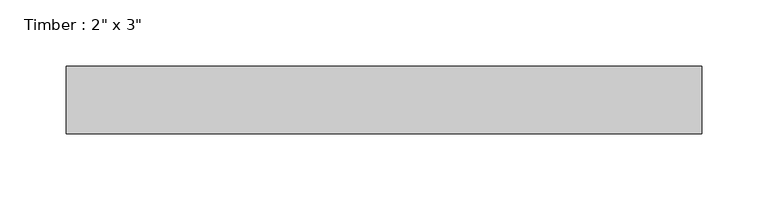
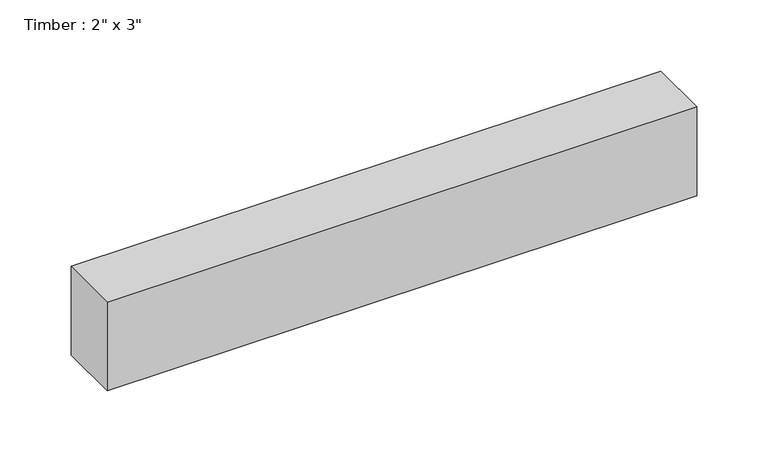
"""IFC4 building model written with IfcOpenShell, lengths in millimetres: beam geometry."""

from ifc_helpers import new_model, si_unit, frame, origin, place, context, project, spatial, polyline, outline, extrude, source, transform, mapped, element, save


def beam_bad0900d(model_context):
    return source(origin(), model_context, "Body", "SweptSolid", [
        extrude(outline(polyline([(239.7234914, 25.4), (239.7234914, -25.4), (-239.7234914, -25.4), (-239.7234914, 25.4), (239.7234914, 25.4)])), frame((0.0, 0.0, -38.1), z_axis=(0.0, 0.0, 1.0), x_axis=(1.0, 0.0, 0.0)), (0.0, 0.0, 1.0), 76.2),
    ])


if __name__ == "__main__":
    model = new_model("IFC4")
    model_context = context("Model", 3, world=origin())
    ifc_project = project(units=[si_unit("LENGTHUNIT", "METRE", prefix="MILLI")], contexts=[model_context])
    site = spatial("IfcSite", under=ifc_project)
    building = spatial("IfcBuilding", under=site)
    placement = place(None, origin())
    beam_shape = beam_bad0900d(model_context)
    element("IfcBeam", 1, ObjectType="Timber : 2\" x 3\"", at=placement, inside=building, context=model_context, shape_type="MappedRepresentation", body=[
        mapped(beam_shape, transform((0.0, 0.0, 0.0), x_axis=(1.0, 0.0, 0.0), y_axis=(0.0, 1.0, 0.0), z_axis=(0.0, 0.0, 1.0))),
    ])
    save(model, "model.ifc")
